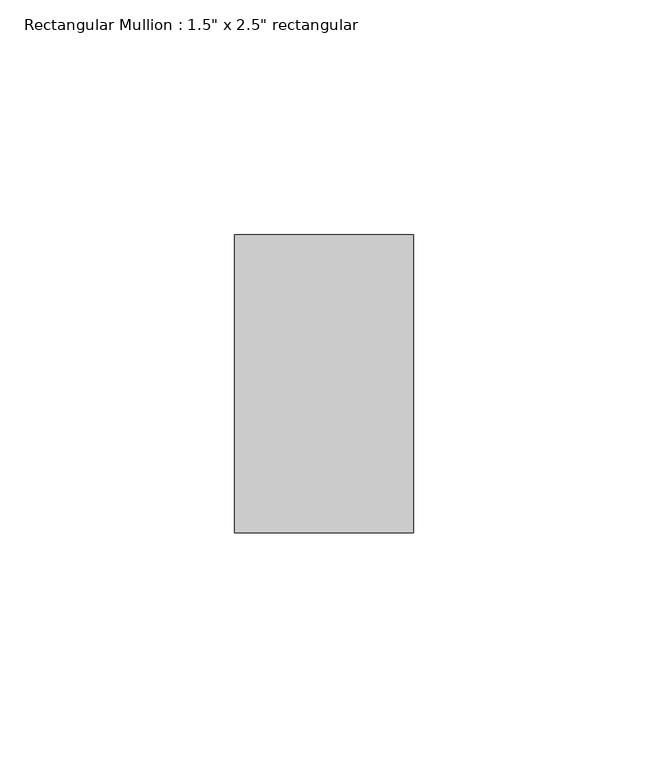
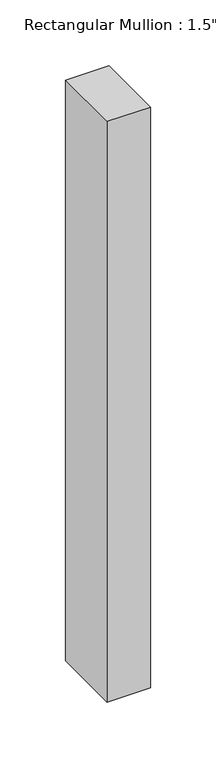
"""IFC4 building model written with IfcOpenShell, lengths in millimetres: member geometry."""

from ifc_helpers import new_model, si_unit, frame, origin, place, context, project, spatial, polyline, outline, extrude, source, transform, mapped, element, save


def member_e3b4f9fe(model_context):
    return source(origin(), model_context, "Body", "SweptSolid", [
        extrude(outline(polyline([(19.05, -19.05), (19.05, -82.55), (-19.05, -82.55), (-19.05, -19.05), (19.05, -19.05)])), frame((0.0, 0.0, -539.75), z_axis=(0.0, 0.0, 1.0), x_axis=(1.0, 0.0, 0.0)), (0.0, 0.0, 1.0), 539.75),
    ])


if __name__ == "__main__":
    model = new_model("IFC4")
    model_context = context("Model", 3, world=origin())
    ifc_project = project(units=[si_unit("LENGTHUNIT", "METRE", prefix="MILLI")], contexts=[model_context])
    site = spatial("IfcSite", under=ifc_project)
    building = spatial("IfcBuilding", under=site)
    placement = place(None, origin())
    member_shape = member_e3b4f9fe(model_context)
    element("IfcMember", 1, ObjectType="Rectangular Mullion : 1.5\" x 2.5\" rectangular", at=placement, inside=building, context=model_context, shape_type="MappedRepresentation", body=[
        mapped(member_shape, transform((0.0, 0.0, 0.0), x_axis=(1.0, 0.0, 0.0), y_axis=(0.0, 1.0, 0.0), z_axis=(0.0, 0.0, 1.0))),
    ])
    save(model, "model.ifc")
